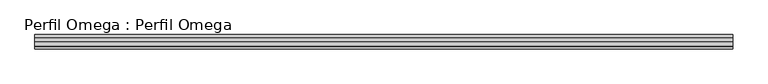
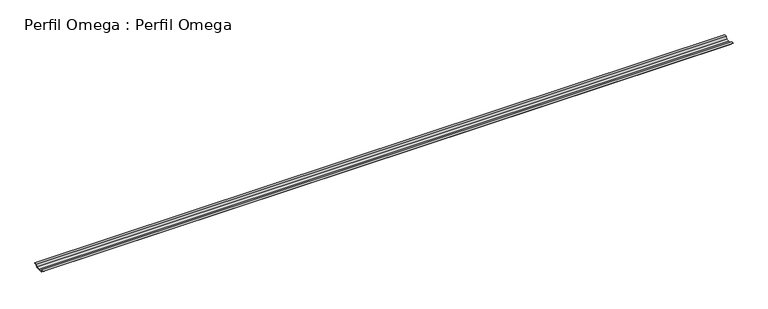
"""IFC4 building model written with IfcOpenShell, lengths in millimetres: proxy geometry, Perfil Omega : Perfil Omega."""

import ifcopenshell
import ifcopenshell.guid

model = None  # the IFC model being written
_history = None  # IfcOwnerHistory: only IFC2X3 demands one
_inside = {}  # id of a spatial element -> (the spatial element, [elements in it])
_under = {}  # id of a project, library or spatial element -> (it, [spatial elements below it])
_declared = {}  # id of a project -> (the project, [libraries it declares])
_typed = {}  # id of a type object -> (the type object, [elements of that type])
_made_of = {}  # id of a material, layer set ... -> (it, [elements and type objects made of it])


def new_model(schema):
    """Start an empty IFC model of exactly this schema.

    Asked for "IFC4X3", IfcOpenShell would pick the latest addendum, in which some entities
    have other attributes; the version numbers below select the first issue.
    IFC2X3 requires an IfcOwnerHistory on every rooted entity: one is made here for all.
    """
    global model, _history
    if schema == "IFC4X3":
        model = ifcopenshell.file(schema_version=(4, 3, 0, 0))
    else:
        model = ifcopenshell.file(schema=schema)
    _inside.clear()
    _under.clear()
    _declared.clear()
    _typed.clear()
    _made_of.clear()
    _history = None
    if model.schema == "IFC2X3":
        org = make("IfcOrganization", Name="unknown")
        user = make(
            "IfcPersonAndOrganization",
            ThePerson=make("IfcPerson", FamilyName="unknown"),
            TheOrganization=org,
        )
        app = make(
            "IfcApplication",
            ApplicationDeveloper=org,
            Version="unknown",
            ApplicationFullName="unknown",
            ApplicationIdentifier="unknown",
        )
        _history = make(
            "IfcOwnerHistory",
            OwningUser=user,
            OwningApplication=app,
            ChangeAction="ADDED",
            CreationDate=0,
        )
    return model


def make(cls, **values):
    """One entity of the class cls with the attributes given. An attribute that is None is left unset."""
    return model.create_entity(
        cls, **{name: value for name, value in values.items() if value is not None}
    )


def rooted(cls, **values):
    """An entity with a GlobalId (a new one), such as an element, a storey or a relation."""
    return make(cls, GlobalId=ifcopenshell.guid.new(), OwnerHistory=_history, **values)


def si_unit(unit_type, name, prefix=None):
    """IfcSIUnit, for example si_unit("LENGTHUNIT", "METRE", prefix="MILLI")."""
    return make("IfcSIUnit", UnitType=unit_type, Prefix=prefix, Name=name)


def assignment(units):
    """IfcUnitAssignment: the units of a project."""
    return None if units is None else make("IfcUnitAssignment", Units=units)


def point(xyz):
    """IfcCartesianPoint."""
    return None if xyz is None else make("IfcCartesianPoint", Coordinates=xyz)


def direction(xyz):
    """IfcDirection."""
    return None if xyz is None else make("IfcDirection", DirectionRatios=xyz)


def frame(location, z_axis=None, x_axis=None):
    """IfcAxis2Placement3D, a coordinate frame: its origin and axes. An axis left out is left unset."""
    return make(
        "IfcAxis2Placement3D",
        Location=point(location),
        Axis=direction(z_axis),
        RefDirection=direction(x_axis),
    )


def origin():
    """The frame at (0, 0, 0) with its axes left unset."""
    return frame((0.0, 0.0, 0.0))


def place(relative_to, where):
    """IfcLocalPlacement: puts the frame where relative to a parent placement (None: the world)."""
    return make(
        "IfcLocalPlacement", PlacementRelTo=relative_to, RelativePlacement=where
    )


def context(
    kind, dimensions, precision=None, world=None, true_north=None, identifier=None
):
    """IfcGeometricRepresentationContext, for example the 3D "Model" context."""
    return make(
        "IfcGeometricRepresentationContext",
        ContextIdentifier=identifier,
        ContextType=kind,
        CoordinateSpaceDimension=dimensions,
        Precision=precision,
        WorldCoordinateSystem=world,
        TrueNorth=true_north,
    )


def project(units=None, contexts=None):
    """IfcProject with its units and contexts."""
    return rooted(
        "IfcProject",
        Name="project",
        RepresentationContexts=contexts,
        UnitsInContext=assignment(units),
    )


def spatial(cls, under=None, at=None, **own):
    """A site, building, storey or space (cls), placed at a placement, below another one or the project."""
    s = rooted(cls, ObjectPlacement=at, **own)
    if under is not None:
        _under.setdefault(under.id(), (under, []))[1].append(s)
    return s


def polyline(points):
    """IfcPolyline through the points."""
    return make("IfcPolyline", Points=[point(p) for p in points])


def outline(outer, holes=None, kind="AREA"):
    """IfcArbitraryClosedProfileDef: a profile drawn as a closed curve; with holes, ...WithVoids."""
    if holes is None:
        return make("IfcArbitraryClosedProfileDef", ProfileType=kind, OuterCurve=outer)
    return make(
        "IfcArbitraryProfileDefWithVoids",
        ProfileType=kind,
        OuterCurve=outer,
        InnerCurves=holes,
    )


def extrude(swept, where, along, depth):
    """IfcExtrudedAreaSolid: the profile swept, set in the frame where, extruded along a direction by depth."""
    return make(
        "IfcExtrudedAreaSolid",
        SweptArea=swept,
        Position=where,
        ExtrudedDirection=direction(along),
        Depth=depth,
    )


def shape(context_of_items, identifier, shape_type, items):
    """IfcShapeRepresentation: the items that make up one representation, for example the "Body"."""
    return make(
        "IfcShapeRepresentation",
        ContextOfItems=context_of_items,
        RepresentationIdentifier=identifier,
        RepresentationType=shape_type,
        Items=items,
    )


def source(mapping_origin, context_of_items, identifier, shape_type, items):
    """IfcRepresentationMap: a shape defined once, which mapped items show again and again."""
    return make(
        "IfcRepresentationMap",
        MappingOrigin=mapping_origin,
        MappedRepresentation=shape(context_of_items, identifier, shape_type, items),
    )


def transform(
    local_origin,
    x_axis=None,
    y_axis=None,
    z_axis=None,
    scale=None,
    scale2=None,
    scale3=None,
    uniform=True,
):
    """IfcCartesianTransformationOperator3D, or its non-uniform kind. x_axis, y_axis, z_axis: its Axis1, 2, 3."""
    if uniform:
        return make(
            "IfcCartesianTransformationOperator3D",
            Axis1=direction(x_axis),
            Axis2=direction(y_axis),
            LocalOrigin=point(local_origin),
            Scale=scale,
            Axis3=direction(z_axis),
        )
    return make(
        "IfcCartesianTransformationOperator3DnonUniform",
        Axis1=direction(x_axis),
        Axis2=direction(y_axis),
        LocalOrigin=point(local_origin),
        Scale=scale,
        Axis3=direction(z_axis),
        Scale2=scale2,
        Scale3=scale3,
    )


def mapped(mapping_source, mapping_target):
    """IfcMappedItem: shows the shape of a source again, moved by a transform."""
    return make(
        "IfcMappedItem", MappingSource=mapping_source, MappingTarget=mapping_target
    )


def made_of(thing, what):
    """Note that an element or type object is made of a material, layer set ...; save() writes the relation."""
    if what is not None:
        _made_of.setdefault(what.id(), (what, []))[1].append(thing)
    return thing


def element(
    cls,
    number,
    at=None,
    inside=None,
    cuts=None,
    type_object=None,
    material=None,
    context=None,
    identifier="Body",
    shape_type=None,
    held_by="IfcProductDefinitionShape",
    body=None,
    shapes=None,
    **own,
):
    """One element of the class cls, such as IfcWall. Its Tag is "e" and its number.

    at: its placement. inside: the storey or other place that contains it. cuts: it is an
    opening in that element (IfcRelVoidsElement). A single representation is given by context,
    identifier, shape_type and body (its items); several are given by shapes. held_by: the class
    of the entity that holds the representations. save() writes the other relations.
    """
    e = rooted(cls, Tag="e%d" % number, ObjectPlacement=at, **own)
    if body is not None:
        shapes = [shape(context, identifier, shape_type, body)]
    if shapes is not None:
        e.Representation = make(held_by, Representations=shapes)
    if inside is not None:
        _inside.setdefault(inside.id(), (inside, []))[1].append(e)
    if cuts is not None:
        rooted(
            "IfcRelVoidsElement", RelatingBuildingElement=cuts, RelatedOpeningElement=e
        )
    if type_object is not None:
        _typed.setdefault(type_object.id(), (type_object, []))[1].append(e)
    return made_of(e, material)


def aggregate(whole, parts):
    """IfcRelAggregates: a whole, such as a stair, and the parts it consists of."""
    return rooted("IfcRelAggregates", RelatingObject=whole, RelatedObjects=parts)


def save(model, path):
    """Write the relations noted so far, then the file.

    IfcRelAggregates (storeys below a building ...), IfcRelContainedInSpatialStructure (elements
    in a storey), IfcRelDefinesByType, IfcRelAssociatesMaterial and IfcRelDeclares: one each for
    every whole, place, type object, material and project.
    """
    for whole, parts in _under.values():
        aggregate(whole, parts)
    for where, things in _inside.values():
        rooted(
            "IfcRelContainedInSpatialStructure",
            RelatedElements=things,
            RelatingStructure=where,
        )
    for kind, things in _typed.values():
        rooted("IfcRelDefinesByType", RelatedObjects=things, RelatingType=kind)
    for what, things in _made_of.values():
        rooted("IfcRelAssociatesMaterial", RelatedObjects=things, RelatingMaterial=what)
    for by, libraries in _declared.values():
        rooted("IfcRelDeclares", RelatingContext=by, RelatedDefinitions=libraries)
    model.write(path)


def perfil_omega_perfil_omega_27304e36(model_context):
    return source(origin(), model_context, "Body", "SweptSolid", [
        extrude(outline(polyline([(-25.0, -17.0), (-26.5, -2.4), (-41.4, -2.4), (-41.4, -1.4), (-25.5974759, -1.4), (-24.0974759, -16.0), (0.0, -16.0), (24.0974759, -16.0), (25.5974759, -1.4), (41.4, -1.4), (41.4, -2.4), (26.5, -2.4), (25.0, -17.0), (0.0, -17.0), (-25.0, -17.0)])), frame((0.0, 0.0, 0.0), z_axis=(1.0, 0.0, 0.0), x_axis=(0.0, 1.0, 0.0)), (0.0, 0.0, 1.0), 4000.0),
    ])


if __name__ == "__main__":
    model = new_model("IFC4")
    model_context = context("Model", 3, world=origin())
    ifc_project = project(units=[si_unit("LENGTHUNIT", "METRE", prefix="MILLI")], contexts=[model_context])
    site = spatial("IfcSite", under=ifc_project)
    building = spatial("IfcBuilding", under=site)
    placement = place(None, origin())
    perfil_omega_perfil_omega_shape = perfil_omega_perfil_omega_27304e36(model_context)
    element("IfcBuildingElementProxy", 1, Name="Perfil Omega : Perfil Omega", ObjectType="Perfil Omega : Perfil Omega", at=placement, inside=building, context=model_context, shape_type="MappedRepresentation", body=[
        mapped(perfil_omega_perfil_omega_shape, transform((0.0, 0.0, 0.0), x_axis=(1.0, 0.0, 0.0), y_axis=(0.0, 1.0, 0.0), z_axis=(0.0, 0.0, 1.0))),
    ])
    save(model, "model.ifc")
